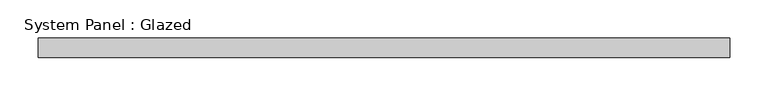
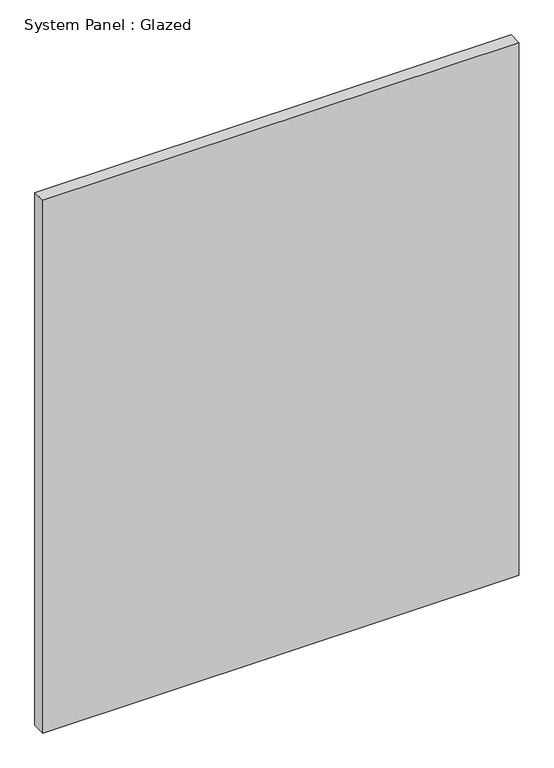
"""IFC4 building model written with IfcOpenShell, lengths in millimetres: plate geometry, System Panel : Glazed."""

from ifc_helpers import new_model, si_unit, origin, origin_with_axes, place, context, project, spatial, polyline, outline, extrude, source, transform, mapped, element, save


def system_panel_glazed_59b13197(model_context):
    return source(origin(), model_context, "Body", "SweptSolid", [
        extrude(outline(polyline([(450.85, -12.7), (-450.85, -12.7), (-450.85, 12.7), (450.85, 12.7), (450.85, -12.7)])), origin_with_axes(), (0.0, 0.0, 1.0), 1066.8),
    ])


if __name__ == "__main__":
    model = new_model("IFC4")
    model_context = context("Model", 3, world=origin())
    ifc_project = project(units=[si_unit("LENGTHUNIT", "METRE", prefix="MILLI")], contexts=[model_context])
    site = spatial("IfcSite", under=ifc_project)
    building = spatial("IfcBuilding", under=site)
    placement = place(None, origin())
    system_panel_glazed_shape = system_panel_glazed_59b13197(model_context)
    element("IfcPlate", 1, ObjectType="System Panel : Glazed", at=placement, inside=building, context=model_context, shape_type="MappedRepresentation", body=[
        mapped(system_panel_glazed_shape, transform((0.0, 0.0, 0.0), x_axis=(1.0, 0.0, 0.0), y_axis=(0.0, 1.0, 0.0), z_axis=(0.0, 0.0, 1.0))),
    ])
    save(model, "model.ifc")
